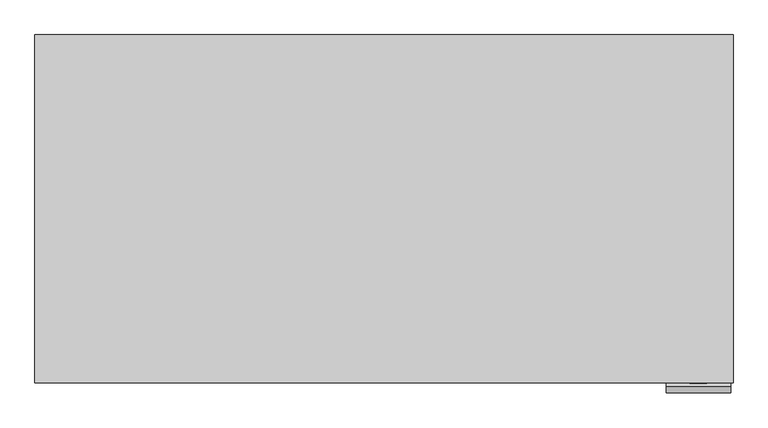
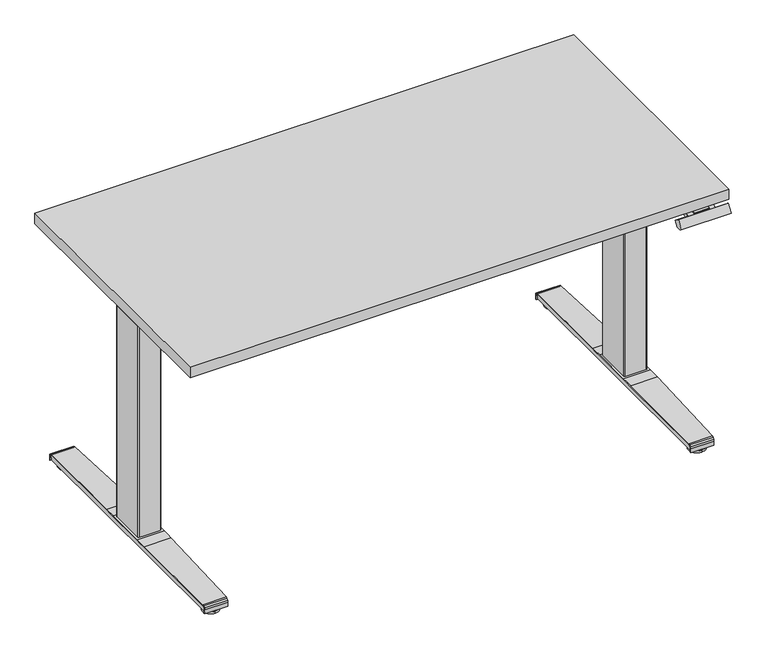
"""IFC4 building model written with IfcOpenShell, lengths in millimetres: furniture geometry."""

from ifc_helpers import new_model, si_unit, point, frame, frame_2d, origin, place, context, project, spatial, polyline, circle_curve, trimmed, segment, composite_curve, outline, extrude, faceted_brep, source, transform, mapped, element, save
from ifc_brep_helpers import plane_surface, cylinder_surface, revolved_surface, advanced_brep


def furniture_ceaaed7a(model_context):
    return source(origin(), model_context, "Body", "SolidModel", [
        extrude(outline(polyline([(14.5096113, -401.3968117), (14.5096113, -332.2056317), (16.600036, -312.4301673), (22.101081, -294.2862166), (32.0264926, -276.1445006), (76.08703, -219.9044196), (78.2590631, -217.8196904), (80.5821044, -216.4244085), (83.8226043, -215.9340769), (95.8239066, -215.9340769), (100.5414966, -217.9222368), (103.6737909, -221.6407598), (104.5244657, -226.0999444), (104.5244657, -302.237421), (106.0337486, -307.4957301), (109.4921857, -310.8433819), (114.5140449, -312.2789047), (131.6696111, -312.2789047), (137.3542932, -314.0047986), (140.8386735, -318.2449286), (141.689421, -322.1768107), (141.689421, -411.1658739), (140.842089, -415.2172981), (137.3586534, -419.4493435), (131.6696838, -421.2868767), (114.5140449, -421.2868767), (109.2754112, -422.7586982), (106.1125955, -425.8629419), (104.5244657, -431.2318002), (104.5244657, -508.0086909), (103.4376134, -512.1732986), (100.419629, -515.652047), (94.5424442, -517.610176), (84.4259832, -517.610176), (80.9642759, -517.1178732), (77.2926977, -515.0512843), (75.9225778, -513.6257535), (35.8113634, -462.6853672), (26.2386192, -448.232434), (17.6551315, -425.8817997), (14.5096113, -401.3968117)])), frame((0.0, 0.0, 701.0345988), z_axis=(0.0, 0.0, 1.0), x_axis=(1.0, 0.0, 0.0)), (0.0, 0.0, 1.0), 5.6950012),
        advanced_brep(
        [(71.6136021, -729.2994654, 0.0), (71.6136021, -706.7221188, 0.0), (71.6136021, -684.1447722, 0.0), (71.6136021, -729.2851492, 5.8932222), (71.6136021, -684.1590885, 5.8932222), (71.6136021, -710.2426342, 9.6997611), (71.6136021, -703.2016035, 9.6997611), (71.6136021, -710.2185068, 20.6749349), (71.6136021, -703.2257308, 20.6749349), (71.6136021, -706.7221188, 20.6749349)],
        [
            (0, 1),
            (1, 2),
            (2, 0, circle_curve(frame((71.6136021, -706.7221188, 0.0), z_axis=(0.0, 0.0, -1.0), x_axis=(0.0, 1.0, 0.0)), 22.5773466)),
            (0, 2, circle_curve(frame((71.6136021, -706.7221188, 0.0), z_axis=(0.0, 0.0, -1.0), x_axis=(0.0, 1.0, 0.0)), 22.5773466)),
            (3, 0),
            (2, 4),
            (4, 3, circle_curve(frame((71.6136021, -706.7221188, 5.8932222), z_axis=(0.0, 0.0, -1.0), x_axis=(0.0, 1.0, 0.0)), 22.5630303)),
            (3, 4, circle_curve(frame((71.6136021, -706.7221188, 5.8932222), z_axis=(0.0, 0.0, -1.0), x_axis=(0.0, 1.0, 0.0)), 22.5630303)),
            (5, 3),
            (4, 6),
            (6, 5, circle_curve(frame((71.6136021, -706.7221188, 9.6997611), z_axis=(0.0, 0.0, -1.0), x_axis=(0.0, 1.0, 0.0)), 3.5205153)),
            (5, 6, circle_curve(frame((71.6136021, -706.7221188, 9.6997611), z_axis=(0.0, 0.0, -1.0), x_axis=(0.0, 1.0, 0.0)), 3.5205153)),
            (7, 5),
            (6, 8),
            (8, 7, circle_curve(frame((71.6136021, -706.7221188, 20.6749349), z_axis=(0.0, 0.0, -1.0), x_axis=(0.0, 1.0, 0.0)), 3.496388)),
            (7, 8, circle_curve(frame((71.6136021, -706.7221188, 20.6749349), z_axis=(0.0, 0.0, -1.0), x_axis=(0.0, 1.0, 0.0)), 3.496388)),
            (9, 7),
            (8, 9),
        ],
        [
            plane_surface(frame((71.6136021, -706.7221188, 0.0), z_axis=(0.0, 0.0, -1.0), x_axis=(0.0, 1.0, 0.0))),
            revolved_surface(polyline([(71.6136021, -684.1447722, 0.0), (71.6136021, -684.1590885, 5.8932222)]), (71.6136021, -706.7221188, -6.35), (0.0, 0.0, 1.0)),
            revolved_surface(polyline([(71.6136021, -684.1590885, 5.8932222), (71.6136021, -703.2016035, 9.6997611)]), (71.6136021, -706.7221188, -6.35), (0.0, 0.0, 1.0)),
            cylinder_surface(frame((71.6136021, -706.7221188, -6.35), z_axis=(0.0, 0.0, 1.0), x_axis=(0.0, 1.0, 0.0)), 3.496388),
            plane_surface(frame((71.6136021, -706.7221188, 20.6749349), z_axis=(0.0, 0.0, 1.0), x_axis=(0.0, 1.0, 0.0))),
        ],
        [
            (0, [[1, 2, 3]]),
            (0, [[-2, -1, 4]]),
            (1, [[5, -3, 6, 7]]),
            (1, [[-6, -4, -5, 8]]),
            (2, [[9, -7, 10, 11]]),
            (2, [[-10, -8, -9, 12]]),
            (3, [[13, -11, 14, 15]]),
            (3, [[-14, -12, -13, 16]]),
            (4, [[17, -15, 18]]),
            (4, [[-18, -16, -17]]),
        ],
    ),
        advanced_brep(
        [(71.6136021, -26.8015897, 20.6749349), (71.6136021, -30.4006742, 20.6749349), (71.6136021, -23.2025053, 20.6749349), (71.6136021, -49.4410025, 0.0), (71.6136021, -26.8015897, 0.0), (71.6136021, -4.1621769, 0.0), (71.6136021, -49.4267121, 5.8932222), (71.6136021, -4.1764674, 5.8932222), (71.6136021, -30.3842008, 9.6997611), (71.6136021, -23.2189787, 9.6997611)],
        [
            (0, 1),
            (1, 2, circle_curve(frame((71.6136021, -26.8015897, 20.6749349), z_axis=(0.0, 0.0, 1.0), x_axis=(0.0, 1.0, 0.0)), 3.5990844)),
            (2, 0),
            (2, 1, circle_curve(frame((71.6136021, -26.8015897, 20.6749349), z_axis=(0.0, 0.0, 1.0), x_axis=(0.0, 1.0, 0.0)), 3.5990844)),
            (3, 4),
            (4, 5),
            (5, 3, circle_curve(frame((71.6136021, -26.8015897, 0.0), z_axis=(0.0, 0.0, -1.0), x_axis=(0.0, 1.0, 0.0)), 22.6394128)),
            (3, 5, circle_curve(frame((71.6136021, -26.8015897, 0.0), z_axis=(0.0, 0.0, -1.0), x_axis=(0.0, 1.0, 0.0)), 22.6394128)),
            (6, 3),
            (5, 7),
            (7, 6, circle_curve(frame((71.6136021, -26.8015897, 5.8932222), z_axis=(0.0, 0.0, -1.0), x_axis=(0.0, 1.0, 0.0)), 22.6251224)),
            (6, 7, circle_curve(frame((71.6136021, -26.8015897, 5.8932222), z_axis=(0.0, 0.0, -1.0), x_axis=(0.0, 1.0, 0.0)), 22.6251224)),
            (8, 6),
            (7, 9),
            (9, 8, circle_curve(frame((71.6136021, -26.8015897, 9.6997611), z_axis=(0.0, 0.0, -1.0), x_axis=(0.0, 1.0, 0.0)), 3.5826111)),
            (8, 9, circle_curve(frame((71.6136021, -26.8015897, 9.6997611), z_axis=(0.0, 0.0, -1.0), x_axis=(0.0, 1.0, 0.0)), 3.5826111)),
            (1, 8),
            (9, 2),
        ],
        [
            plane_surface(frame((71.6136021, -26.8015897, 20.6749349), z_axis=(0.0, 0.0, 1.0), x_axis=(0.0, 1.0, 0.0))),
            plane_surface(frame((71.6136021, -26.8015897, 0.0), z_axis=(0.0, 0.0, -1.0), x_axis=(0.0, 1.0, 0.0))),
            revolved_surface(polyline([(71.6136021, -4.1621769, 0.0), (71.6136021, -4.1764674, 5.8932222)]), (71.6136021, -26.8015897, -4.219916), (0.0, 0.0, 1.0)),
            revolved_surface(polyline([(71.6136021, -4.1764674, 5.8932222), (71.6136021, -23.2189787, 9.6997611)]), (71.6136021, -26.8015897, -4.219916), (0.0, 0.0, 1.0)),
            cylinder_surface(frame((71.6136021, -26.8015897, -4.219916), z_axis=(0.0, 0.0, 1.0), x_axis=(0.0, 1.0, 0.0)), 3.5617141),
        ],
        [
            (0, [[1, 2, 3]]),
            (0, [[-3, 4, -1]]),
            (1, [[5, 6, 7]]),
            (1, [[-6, -5, 8]]),
            (2, [[9, -7, 10, 11]]),
            (2, [[-10, -8, -9, 12]]),
            (3, [[13, -11, 14, 15]]),
            (3, [[-14, -12, -13, 16]]),
            (4, [[17, -15, 18, -2]]),
            (4, [[-18, -16, -17, -4]]),
        ],
    ),
        extrude(outline(polyline([(-3.5215571, 12.4677812), (-730.0368702, 12.4677812), (-730.8530931, 21.7991884), (-730.4125152, 25.0910807), (-728.9715421, 27.4999725), (-726.7532546, 29.2221784), (-723.5308182, 30.057262), (-456.0573386, 36.3302073), (-423.2791911, 36.8675534), (-406.7285298, 36.8675534), (-310.2791844, 36.8675534), (-277.5010737, 36.3302079), (-10.0275765, 30.0572625), (-6.8051436, 29.2221784), (-4.5868373, 27.4999725), (-3.1458654, 25.0910807), (-2.7052097, 21.7985054), (-3.5215571, 12.4677812)])), frame((43.10672, 0.0, 0.0), z_axis=(1.0, 0.0, 0.0), x_axis=(0.0, 1.0, 0.0)), (0.0, 0.0, 1.0), 56.9713634),
        faceted_brep([(35.13112, -423.2791911, 36.8675534), (35.13112, -435.5838058, 36.6658386), (35.13112, -435.5838058, 39.2658383), (35.13112, -423.2791911, 39.4675537), (35.13112, -310.2791844, 39.4675537), (35.13112, -297.9815233, 39.2659522), (35.13112, -297.9815233, 36.6659526), (35.13112, -310.2791844, 36.8675534), (35.13112, -406.7285298, 36.8675534), (108.0536834, -423.2791911, 39.4675537), (108.0536834, -440.5657368, 39.1841672), (108.0536834, -440.5657368, 36.5841677), (108.0536834, -423.2791911, 36.8675534), (108.0536834, -406.7285298, 36.8675534), (108.0536834, -310.2791844, 36.8675534), (108.0536834, -292.9995923, 36.5842817), (108.0536834, -292.9995923, 39.184281), (108.0536834, -310.2791844, 39.4675537), (39.9578279, -730.8530931, 21.7991884), (39.9195017, -730.4125152, 25.0910807), (103.3697142, -730.4125152, 25.0910807), (103.331388, -730.8530931, 21.7991884), (39.7941503, -728.9715421, 27.4999725), (103.4950656, -728.9715421, 27.4999725), (39.7469719, -728.4292049, 27.9210254), (39.6772012, -726.7532546, 29.2221784), (103.6120147, -726.7532546, 29.2221784), (103.5422439, -728.4292049, 27.9210254), (39.595237, -724.7844107, 29.7323977), (39.5758865, -723.5308182, 30.057262), (103.713208, -723.5308182, 30.057262), (103.6939789, -724.7844107, 29.7323977), (35.4471506, -456.0573386, 36.3302073), (107.8160537, -456.0573386, 36.3302073), (35.4472574, -277.5010737, 36.3302079), (107.8159476, -277.5010737, 36.3302079), (39.5759935, -10.0275765, 30.0572625), (103.7131017, -10.0275765, 30.0572625), (39.595237, -8.7809184, 29.7341947), (39.6774897, -6.8051436, 29.2221784), (103.6117262, -6.8051436, 29.2221784), (103.6939789, -8.7809184, 29.7341947), (39.7469719, -5.1361242, 27.9264173), (39.7947548, -4.5868373, 27.4999725), (103.494461, -4.5868373, 27.4999725), (103.5422439, -5.1361242, 27.9264173), (39.9201061, -3.1458654, 25.0910807), (103.3691097, -3.1458654, 25.0910807), (39.9584391, -2.7052097, 21.7985054), (103.3307767, -2.7052097, 21.7985054), (39.8798764, -3.6083249, 11.4760384), (103.4093395, -3.6083249, 11.4760384), (40.0918637, -1.1714317, 11.2628385), (40.1328414, -1.0058834, 11.2483549), (103.1563744, -1.0058834, 11.2483549), (103.1973522, -1.1714317, 11.2628385), (40.3869765, 0.0208103, 23.5226649), (102.9022394, 0.0208103, 23.5226649), (40.0918637, -1.1714317, 28.025708), (103.1973522, -1.1714317, 28.025708), (39.7469719, -5.1361242, 31.7240311), (103.5422439, -5.1361242, 31.7240311), (39.595237, -8.7809184, 32.6177765), (103.6939789, -8.7809184, 32.6177765), (35.4485728, -277.4158525, 38.9288093), (107.8146404, -277.4158525, 38.9288093), (35.4484652, -456.1425045, 38.9288099), (107.8147473, -456.1425045, 38.9288099), (39.5951298, -724.7774639, 32.6177766), (103.6942679, -724.7774667, 32.6177765), (39.7466826, -728.4222537, 31.7240341), (103.5425328, -728.4222661, 31.7240311), (40.0912556, -732.3869071, 28.0257562), (103.1979558, -732.3869587, 28.025708), (40.3766743, -733.5445188, 22.7290223), (102.9125416, -733.5445188, 22.7290223), (40.1280677, -732.5401599, 11.2494335), (103.1846287, -732.5401599, 11.2494335), (39.8792777, -729.9501216, 11.4760332), (103.4099382, -729.9501216, 11.4760332)], [[[0, 1, 2, 3, 4, 5, 6, 7, 8]], [[9, 10, 11, 12, 13, 14, 15, 16, 17]], [[18, 19, 20, 21]], [[19, 22, 23, 20]], [[22, 24, 25, 26, 27, 23]], [[25, 28, 29, 30, 31, 26]], [[29, 32, 33, 30]], [[12, 11, 33, 32, 1, 0]], [[8, 13, 12, 0]], [[7, 14, 13, 8]], [[7, 6, 34, 35, 15, 14]], [[34, 36, 37, 35]], [[36, 38, 39, 40, 41, 37]], [[39, 42, 43, 44, 45, 40]], [[43, 46, 47, 44]], [[46, 48, 49, 47]], [[48, 50, 51, 49]], [[50, 52, 53, 54, 55, 51]], [[53, 56, 57, 54]], [[56, 58, 59, 57]], [[58, 60, 61, 59]], [[60, 62, 63, 61]], [[62, 64, 65, 63]], [[17, 16, 65, 64, 5, 4]], [[3, 9, 17, 4]], [[3, 2, 66, 67, 10, 9]], [[66, 68, 69, 67]], [[68, 70, 71, 69]], [[70, 72, 73, 71]], [[72, 74, 75, 73]], [[74, 76, 77, 75]], [[76, 78, 79, 77]], [[21, 79, 78, 18]], [[58, 56, 53, 52]], [[52, 50, 48, 46, 43, 42, 60, 58]], [[42, 39, 38, 62, 60]], [[38, 36, 34, 6, 5, 64, 62]], [[41, 40, 45, 61, 63]], [[45, 44, 47, 49, 51, 55, 59, 61]], [[55, 54, 57, 59]], [[63, 65, 16, 15, 35, 37, 41]], [[76, 74, 72]], [[72, 70, 24, 22, 19, 18, 78, 76]], [[70, 68, 28, 25, 24]], [[68, 66, 2, 1, 32, 29, 28]], [[27, 26, 31, 69, 71]], [[77, 79, 21, 20, 23, 27, 71, 73]], [[73, 75, 77]], [[31, 30, 33, 11, 10, 67, 69]]]),
        extrude(outline(composite_curve([segment(polyline([(98.1047994, -322.7263919), (98.1047994, -410.7862196)]), True, "CONTINUOUS"), segment(trimmed(circle_curve(frame_2d((95.8187994, -410.7862196)), 2.286), [point((98.1047994, -410.7862196))], [point((95.8187994, -413.0722196))], False, "CARTESIAN"), True, "CONTINUOUS"), segment(polyline([(95.8187994, -413.0722196), (47.5023125, -413.0722196)]), True, "CONTINUOUS"), segment(trimmed(circle_curve(frame_2d((47.5023125, -410.7862196)), 2.286), [point((47.5023125, -413.0722196))], [point((45.2163125, -410.7862196))], False, "CARTESIAN"), True, "CONTINUOUS"), segment(polyline([(45.2163125, -410.7862196), (45.2163125, -322.5665392)]), True, "CONTINUOUS"), segment(trimmed(circle_curve(frame_2d((47.5023125, -322.7263919)), 2.2915822), [point((45.2163125, -322.5665392))], [point((47.3424598, -320.4403919))], False, "CARTESIAN"), True, "CONTINUOUS"), segment(polyline([(47.3424598, -320.4403919), (95.8187994, -320.4403919)]), True, "CONTINUOUS"), segment(trimmed(circle_curve(frame_2d((95.8187994, -322.7263919)), 2.286), [point((95.8187994, -320.4403919))], [point((98.1047994, -322.7263919))], False, "CARTESIAN"), True, "CONTINUOUS")], self_intersect=False)), frame((0.0, 0.0, 649.4874636), z_axis=(0.0, 0.0, 1.0), x_axis=(1.0, 0.0, 0.0)), (0.0, 0.0, 1.0), 51.5471352),
        extrude(outline(composite_curve([segment(polyline([(43.0714289, -315.1674543), (100.2661103, -315.1769913)]), True, "CONTINUOUS"), segment(trimmed(circle_curve(frame_2d((100.2656021, -318.2249913)), 3.048), [point((100.2661103, -315.1769913))], [point((103.3136021, -318.2249913))], False, "CARTESIAN"), True, "CONTINUOUS"), segment(polyline([(103.3136021, -318.2249913), (103.3136021, -415.2688595)]), True, "CONTINUOUS"), segment(trimmed(circle_curve(frame_2d((100.2656021, -415.2688595)), 3.048), [point((103.3136021, -415.2688595))], [point((100.2644636, -418.3168593))], False, "CARTESIAN"), True, "CONTINUOUS"), segment(polyline([(100.2644636, -418.3168593), (43.0524126, -418.2781198)]), True, "CONTINUOUS"), segment(trimmed(circle_curve(frame_2d((43.0535511, -415.2474896)), 3.0306304), [point((43.0524126, -418.2781198))], [point((40.0229207, -415.246944))], False, "CARTESIAN"), True, "CONTINUOUS"), segment(polyline([(40.0229207, -415.246944), (40.0229207, -318.2149086)]), True, "CONTINUOUS"), segment(trimmed(circle_curve(frame_2d((43.0709207, -318.2154542)), 3.048), [point((40.0229207, -318.2149086))], [point((43.0714289, -315.1674543))], False, "CARTESIAN"), True, "CONTINUOUS")], self_intersect=False)), frame((0.0, 0.0, 39.4675537), z_axis=(0.0, 0.0, 1.0), x_axis=(1.0, 0.0, 0.0)), (0.0, 0.0, 1.0), 610.0199099),
        extrude(outline(polyline([(-754.3181268, 681.3749469), (-740.5522612, 701.0346329), (-724.1692335, 689.5630254), (-733.9188743, 675.6392012), (-746.1265866, 675.6392012), (-754.3181268, 681.3749469)])), frame((1329.1987516, 0.0, 0.0), z_axis=(1.0, 0.0, 0.0), x_axis=(0.0, 1.0, 0.0)), (0.0, 0.0, 1.0), 135.8042833),
        extrude(outline(polyline([(1376.7934482, -733.2174253), (1375.9147954, -731.0960795), (1375.8146717, -724.0870135), (1417.6149236, -724.0870135), (1417.5147998, -731.0960795), (1416.6361471, -733.2174253), (1414.5148376, -734.096078), (1378.9148304, -734.096078), (1376.7934482, -733.2174253)])), frame((0.0, 0.0, 698.0346365), z_axis=(0.0, 0.0, 1.0), x_axis=(1.0, 0.0, 0.0)), (0.0, 0.0, 1.0), 3.0075926),
        extrude(outline(polyline([(-733.6034846, 693.0569715), (-724.0870135, 701.0422291), (-684.0960777, 701.0422291), (-684.0960777, 695.2345894), (-701.3308905, 691.2210989), (-717.9217019, 685.0655154), (-733.6034846, 676.8662339), (-733.6034846, 693.0569715)])), frame((1360.3148029, 0.0, 0.0), z_axis=(1.0, 0.0, 0.0), x_axis=(0.0, 1.0, 0.0)), (0.0, 0.0, 1.0), 72.7999895),
        extrude(outline(polyline([(1455.638693, -401.3968117), (1452.4931728, -425.8817997), (1443.9096851, -448.232434), (1434.336941, -462.6853672), (1394.2257265, -513.6257535), (1392.8556067, -515.0512843), (1389.1840284, -517.1178732), (1385.7223211, -517.610176), (1375.6058601, -517.610176), (1369.7286753, -515.652047), (1366.7106909, -512.1732986), (1365.6238386, -508.0086909), (1365.6238386, -431.2318002), (1364.0357088, -425.8629419), (1360.8728931, -422.7586982), (1355.6342594, -421.2868767), (1338.4786205, -421.2868767), (1332.7896509, -419.4493435), (1329.3062153, -415.2172981), (1328.4588833, -411.1658739), (1328.4588833, -322.1768107), (1329.3096308, -318.2449286), (1332.7940111, -314.0047986), (1338.4786932, -312.2789047), (1355.6342594, -312.2789047), (1360.6561186, -310.8433819), (1364.1145557, -307.4957301), (1365.6238386, -302.237421), (1365.6238386, -226.0999444), (1366.4745134, -221.6407598), (1369.6068077, -217.9222368), (1374.3243977, -215.9340769), (1386.3257, -215.9340769), (1389.5661999, -216.4244085), (1391.8892412, -217.8196904), (1394.0612743, -219.9044196), (1438.1218117, -276.1445006), (1448.0472233, -294.2862166), (1453.5482683, -312.4301673), (1455.638693, -332.2056317), (1455.638693, -401.3968117)])), frame((0.0, 0.0, 701.0345988), z_axis=(0.0, 0.0, 1.0), x_axis=(1.0, 0.0, 0.0)), (0.0, 0.0, 1.0), 5.6950012),
        advanced_brep(
        [(1398.5347022, -729.2994654, 0.0), (1398.5347022, -684.1447722, 0.0), (1398.5347022, -706.7221188, 0.0), (1398.5347022, -729.2851492, 5.8932222), (1398.5347022, -684.1590885, 5.8932222), (1398.5347022, -710.2426342, 9.6997611), (1398.5347022, -703.2016035, 9.6997611), (1398.5347022, -710.2185068, 20.6749349), (1398.5347022, -703.2257308, 20.6749349), (1398.5347022, -706.7221188, 20.6749349)],
        [
            (0, 1, circle_curve(frame((1398.5347022, -706.7221188, 0.0), z_axis=(0.0, 0.0, -1.0), x_axis=(0.0, 1.0, 0.0)), 22.5773466)),
            (1, 2),
            (2, 0),
            (1, 0, circle_curve(frame((1398.5347022, -706.7221188, 0.0), z_axis=(0.0, 0.0, -1.0), x_axis=(0.0, 1.0, 0.0)), 22.5773466)),
            (3, 4, circle_curve(frame((1398.5347022, -706.7221188, 5.8932222), z_axis=(0.0, 0.0, -1.0), x_axis=(0.0, 1.0, 0.0)), 22.5630303)),
            (4, 1),
            (0, 3),
            (4, 3, circle_curve(frame((1398.5347022, -706.7221188, 5.8932222), z_axis=(0.0, 0.0, -1.0), x_axis=(0.0, 1.0, 0.0)), 22.5630303)),
            (5, 6, circle_curve(frame((1398.5347022, -706.7221188, 9.6997611), z_axis=(0.0, 0.0, -1.0), x_axis=(0.0, 1.0, 0.0)), 3.5205153)),
            (6, 4),
            (3, 5),
            (6, 5, circle_curve(frame((1398.5347022, -706.7221188, 9.6997611), z_axis=(0.0, 0.0, -1.0), x_axis=(0.0, 1.0, 0.0)), 3.5205153)),
            (7, 8, circle_curve(frame((1398.5347022, -706.7221188, 20.6749349), z_axis=(0.0, 0.0, -1.0), x_axis=(0.0, 1.0, 0.0)), 3.496388)),
            (8, 6),
            (5, 7),
            (8, 7, circle_curve(frame((1398.5347022, -706.7221188, 20.6749349), z_axis=(0.0, 0.0, -1.0), x_axis=(0.0, 1.0, 0.0)), 3.496388)),
            (9, 8),
            (7, 9),
        ],
        [
            plane_surface(frame((1398.5347022, -706.7221188, 0.0), z_axis=(0.0, 0.0, -1.0), x_axis=(0.0, 1.0, 0.0))),
            revolved_surface(polyline([(1398.5347022, -684.1447722, 0.0), (1398.5347022, -684.1590885, 5.8932222)]), (1398.5347022, -706.7221188, -6.35), (0.0, 0.0, 1.0)),
            revolved_surface(polyline([(1398.5347022, -684.1590885, 5.8932222), (1398.5347022, -703.2016035, 9.6997611)]), (1398.5347022, -706.7221188, -6.35), (0.0, 0.0, 1.0)),
            cylinder_surface(frame((1398.5347022, -706.7221188, -6.35), z_axis=(0.0, 0.0, 1.0), x_axis=(0.0, 1.0, 0.0)), 3.496388),
            plane_surface(frame((1398.5347022, -706.7221188, 20.6749349), z_axis=(0.0, 0.0, 1.0), x_axis=(0.0, 1.0, 0.0))),
        ],
        [
            (0, [[1, 2, 3]]),
            (0, [[4, -3, -2]]),
            (1, [[5, 6, -1, 7]]),
            (1, [[8, -7, -4, -6]]),
            (2, [[9, 10, -5, 11]]),
            (2, [[12, -11, -8, -10]]),
            (3, [[13, 14, -9, 15]]),
            (3, [[16, -15, -12, -14]]),
            (4, [[17, -13, 18]]),
            (4, [[-18, -16, -17]]),
        ],
    ),
        advanced_brep(
        [(1398.5347022, -26.8015897, 20.6749349), (1398.5347022, -23.2025053, 20.6749349), (1398.5347022, -30.4006742, 20.6749349), (1398.5347022, -49.4410025, 0.0), (1398.5347022, -4.1621769, 0.0), (1398.5347022, -26.8015897, 0.0), (1398.5347022, -49.4267121, 5.8932222), (1398.5347022, -4.1764674, 5.8932222), (1398.5347022, -30.3842008, 9.6997611), (1398.5347022, -23.2189787, 9.6997611)],
        [
            (0, 1),
            (1, 2, circle_curve(frame((1398.5347022, -26.8015897, 20.6749349), z_axis=(0.0, 0.0, 1.0), x_axis=(0.0, 1.0, 0.0)), 3.5990844)),
            (2, 0),
            (2, 1, circle_curve(frame((1398.5347022, -26.8015897, 20.6749349), z_axis=(0.0, 0.0, 1.0), x_axis=(0.0, 1.0, 0.0)), 3.5990844)),
            (3, 4, circle_curve(frame((1398.5347022, -26.8015897, 0.0), z_axis=(0.0, 0.0, -1.0), x_axis=(0.0, 1.0, 0.0)), 22.6394128)),
            (4, 5),
            (5, 3),
            (4, 3, circle_curve(frame((1398.5347022, -26.8015897, 0.0), z_axis=(0.0, 0.0, -1.0), x_axis=(0.0, 1.0, 0.0)), 22.6394128)),
            (6, 7, circle_curve(frame((1398.5347022, -26.8015897, 5.8932222), z_axis=(0.0, 0.0, -1.0), x_axis=(0.0, 1.0, 0.0)), 22.6251224)),
            (7, 4),
            (3, 6),
            (7, 6, circle_curve(frame((1398.5347022, -26.8015897, 5.8932222), z_axis=(0.0, 0.0, -1.0), x_axis=(0.0, 1.0, 0.0)), 22.6251224)),
            (8, 9, circle_curve(frame((1398.5347022, -26.8015897, 9.6997611), z_axis=(0.0, 0.0, -1.0), x_axis=(0.0, 1.0, 0.0)), 3.5826111)),
            (9, 7),
            (6, 8),
            (9, 8, circle_curve(frame((1398.5347022, -26.8015897, 9.6997611), z_axis=(0.0, 0.0, -1.0), x_axis=(0.0, 1.0, 0.0)), 3.5826111)),
            (1, 9),
            (8, 2),
        ],
        [
            plane_surface(frame((1398.5347022, -26.8015897, 20.6749349), z_axis=(0.0, 0.0, 1.0), x_axis=(0.0, 1.0, 0.0))),
            plane_surface(frame((1398.5347022, -26.8015897, 0.0), z_axis=(0.0, 0.0, -1.0), x_axis=(0.0, 1.0, 0.0))),
            revolved_surface(polyline([(1398.5347022, -4.1621769, 0.0), (1398.5347022, -4.1764674, 5.8932222)]), (1398.5347022, -26.8015897, -4.219916), (0.0, 0.0, 1.0)),
            revolved_surface(polyline([(1398.5347022, -4.1764674, 5.8932222), (1398.5347022, -23.2189787, 9.6997611)]), (1398.5347022, -26.8015897, -4.219916), (0.0, 0.0, 1.0)),
            cylinder_surface(frame((1398.5347022, -26.8015897, -4.219916), z_axis=(0.0, 0.0, 1.0), x_axis=(0.0, 1.0, 0.0)), 3.5617141),
        ],
        [
            (0, [[1, 2, 3]]),
            (0, [[-3, 4, -1]]),
            (1, [[5, 6, 7]]),
            (1, [[8, -7, -6]]),
            (2, [[9, 10, -5, 11]]),
            (2, [[12, -11, -8, -10]]),
            (3, [[13, 14, -9, 15]]),
            (3, [[16, -15, -12, -14]]),
            (4, [[-2, 17, -13, 18]]),
            (4, [[-4, -18, -16, -17]]),
        ],
    ),
        extrude(outline(polyline([(-3.5215571, 12.4677812), (-730.0368702, 12.4677812), (-730.8530931, 21.7991884), (-730.4125152, 25.0910807), (-728.9715421, 27.4999725), (-726.7532546, 29.2221784), (-723.5308182, 30.057262), (-456.0573386, 36.3302073), (-423.2791911, 36.8675534), (-406.7285298, 36.8675534), (-310.2791844, 36.8675534), (-277.5010737, 36.3302079), (-10.0275765, 30.0572625), (-6.8051436, 29.2221784), (-4.5868373, 27.4999725), (-3.1458654, 25.0910807), (-2.7052097, 21.7985054), (-3.5215571, 12.4677812)])), frame((1370.0702209, 0.0, 0.0), z_axis=(1.0, 0.0, 0.0), x_axis=(0.0, 1.0, 0.0)), (0.0, 0.0, 1.0), 56.9713634),
        faceted_brep([(1435.0171843, -423.2791911, 36.8675534), (1435.0171843, -406.7285298, 36.8675534), (1435.0171843, -310.2791844, 36.8675534), (1435.0171843, -297.9815233, 36.6659526), (1435.0171843, -297.9815233, 39.2659522), (1435.0171843, -310.2791844, 39.4675537), (1435.0171843, -423.2791911, 39.4675537), (1435.0171843, -435.5838058, 39.2658383), (1435.0171843, -435.5838058, 36.6658386), (1362.0946209, -423.2791911, 39.4675537), (1362.0946209, -310.2791844, 39.4675537), (1362.0946209, -292.9995923, 39.184281), (1362.0946209, -292.9995923, 36.5842817), (1362.0946209, -310.2791844, 36.8675534), (1362.0946209, -406.7285298, 36.8675534), (1362.0946209, -423.2791911, 36.8675534), (1362.0946209, -440.5657368, 36.5841677), (1362.0946209, -440.5657368, 39.1841672), (1430.1904764, -730.8530931, 21.7991884), (1366.8169163, -730.8530931, 21.7991884), (1366.7785901, -730.4125152, 25.0910807), (1430.2288026, -730.4125152, 25.0910807), (1366.6532387, -728.9715421, 27.4999725), (1430.354154, -728.9715421, 27.4999725), (1366.6060604, -728.4292049, 27.9210254), (1366.5362896, -726.7532546, 29.2221784), (1430.4711032, -726.7532546, 29.2221784), (1430.4013324, -728.4292049, 27.9210254), (1366.4543255, -724.7844107, 29.7323977), (1366.4350963, -723.5308182, 30.057262), (1430.5724178, -723.5308182, 30.057262), (1430.5530673, -724.7844107, 29.7323977), (1362.3322506, -456.0573386, 36.3302073), (1434.7011537, -456.0573386, 36.3302073), (1362.3323567, -277.5010737, 36.3302079), (1434.7010469, -277.5010737, 36.3302079), (1366.4352026, -10.0275765, 30.0572625), (1430.5723108, -10.0275765, 30.0572625), (1366.4543255, -8.7809184, 29.7341947), (1366.5365781, -6.8051436, 29.2221784), (1430.4708146, -6.8051436, 29.2221784), (1430.5530673, -8.7809184, 29.7341947), (1366.6060604, -5.1361242, 27.9264173), (1366.6538433, -4.5868373, 27.4999725), (1430.3535495, -4.5868373, 27.4999725), (1430.4013324, -5.1361242, 27.9264173), (1366.7791946, -3.1458654, 25.0910807), (1430.2281982, -3.1458654, 25.0910807), (1366.8175276, -2.7052097, 21.7985054), (1430.1898652, -2.7052097, 21.7985054), (1366.7389649, -3.6083249, 11.4760384), (1430.2684279, -3.6083249, 11.4760384), (1366.9509521, -1.1714317, 11.2628385), (1366.9919299, -1.0058834, 11.2483549), (1430.0154629, -1.0058834, 11.2483549), (1430.0564406, -1.1714317, 11.2628385), (1367.2460649, 0.0208103, 23.5226649), (1429.7613278, 0.0208103, 23.5226649), (1366.9509521, -1.1714317, 28.025708), (1430.0564406, -1.1714317, 28.025708), (1366.6060604, -5.1361242, 31.7240311), (1430.4013324, -5.1361242, 31.7240311), (1366.4543255, -8.7809184, 32.6177765), (1430.5530673, -8.7809184, 32.6177765), (1362.333664, -277.4158525, 38.9288093), (1434.6997315, -277.4158525, 38.9288093), (1362.333557, -456.1425045, 38.9288099), (1434.6998391, -456.1425045, 38.9288099), (1366.4542189, -724.7774639, 32.6177766), (1430.5533564, -724.7774667, 32.6177765), (1366.6057715, -728.4222661, 31.7240311), (1430.401936, -728.4222661, 31.7240311), (1366.9503485, -732.3869587, 28.025708), (1430.0581582, -732.3869587, 28.025708), (1367.2357627, -733.5445188, 22.7290223), (1429.77163, -733.5445188, 22.7290223), (1366.9871452, -732.5401158, 11.2489291), (1430.0202366, -732.5401599, 11.2494335), (1366.7383661, -729.9501216, 11.4760332), (1430.2690266, -729.9501216, 11.4760332)], [[[0, 1, 2, 3, 4, 5, 6, 7, 8]], [[9, 10, 11, 12, 13, 14, 15, 16, 17]], [[18, 19, 20, 21]], [[21, 20, 22, 23]], [[23, 22, 24, 25, 26, 27]], [[26, 25, 28, 29, 30, 31]], [[30, 29, 32, 33]], [[15, 0, 8, 33, 32, 16]], [[1, 0, 15, 14]], [[2, 1, 14, 13]], [[2, 13, 12, 34, 35, 3]], [[35, 34, 36, 37]], [[37, 36, 38, 39, 40, 41]], [[40, 39, 42, 43, 44, 45]], [[44, 43, 46, 47]], [[47, 46, 48, 49]], [[49, 48, 50, 51]], [[51, 50, 52, 53, 54, 55]], [[54, 53, 56, 57]], [[57, 56, 58, 59]], [[59, 58, 60, 61]], [[61, 60, 62, 63]], [[63, 62, 64, 65]], [[10, 5, 4, 65, 64, 11]], [[6, 5, 10, 9]], [[6, 9, 17, 66, 67, 7]], [[67, 66, 68, 69]], [[69, 68, 70, 71]], [[71, 70, 72, 73]], [[73, 72, 74, 75]], [[75, 74, 76, 77]], [[77, 76, 78, 79]], [[19, 18, 79, 78]], [[59, 55, 54, 57]], [[55, 59, 61, 45, 44, 47, 49, 51]], [[45, 61, 63, 41, 40]], [[41, 63, 65, 4, 3, 35, 37]], [[38, 62, 60, 42, 39]], [[42, 60, 58, 52, 50, 48, 46, 43]], [[52, 58, 56, 53]], [[62, 38, 36, 34, 12, 11, 64]], [[77, 73, 75]], [[73, 77, 79, 18, 21, 23, 27, 71]], [[71, 27, 26, 31, 69]], [[69, 31, 30, 33, 8, 7, 67]], [[24, 70, 68, 28, 25]], [[76, 72, 70, 24, 22, 20, 19, 78]], [[72, 76, 74]], [[28, 68, 66, 17, 16, 32, 29]]]),
        extrude(outline(composite_curve([segment(trimmed(circle_curve(frame_2d((1374.3295049, -322.7263919)), 2.286), [point((1372.0435049, -322.7263919))], [point((1374.3295049, -320.4403919))], False, "CARTESIAN"), True, "CONTINUOUS"), segment(polyline([(1374.3295049, -320.4403919), (1422.8058445, -320.4403919)]), True, "CONTINUOUS"), segment(trimmed(circle_curve(frame_2d((1422.6459918, -322.7263919)), 2.2915822), [point((1422.8058445, -320.4403919))], [point((1424.9319918, -322.5665392))], False, "CARTESIAN"), True, "CONTINUOUS"), segment(polyline([(1424.9319918, -322.5665392), (1424.9319918, -410.7862196)]), True, "CONTINUOUS"), segment(trimmed(circle_curve(frame_2d((1422.6459918, -410.7862196)), 2.286), [point((1424.9319918, -410.7862196))], [point((1422.6459918, -413.0722196))], False, "CARTESIAN"), True, "CONTINUOUS"), segment(polyline([(1422.6459918, -413.0722196), (1374.3295049, -413.0722196)]), True, "CONTINUOUS"), segment(trimmed(circle_curve(frame_2d((1374.3295049, -410.7862196)), 2.286), [point((1374.3295049, -413.0722196))], [point((1372.0435049, -410.7862196))], False, "CARTESIAN"), True, "CONTINUOUS"), segment(polyline([(1372.0435049, -410.7862196), (1372.0435049, -322.7263919)]), True, "CONTINUOUS")], self_intersect=False)), frame((0.0, 0.0, 649.4874636), z_axis=(0.0, 0.0, 1.0), x_axis=(1.0, 0.0, 0.0)), (0.0, 0.0, 1.0), 51.5471352),
        extrude(outline(composite_curve([segment(trimmed(circle_curve(frame_2d((1427.0773836, -318.2154542)), 3.048), [point((1427.0768754, -315.1674543))], [point((1430.1253836, -318.2149086))], False, "CARTESIAN"), True, "CONTINUOUS"), segment(polyline([(1430.1253836, -318.2149086), (1430.1253836, -415.246944)]), True, "CONTINUOUS"), segment(trimmed(circle_curve(frame_2d((1427.0947532, -415.2474896)), 3.0306304), [point((1430.1253836, -415.246944))], [point((1427.0958917, -418.2781198))], False, "CARTESIAN"), True, "CONTINUOUS"), segment(polyline([(1427.0958917, -418.2781198), (1369.8838407, -418.3168593)]), True, "CONTINUOUS"), segment(trimmed(circle_curve(frame_2d((1369.8827022, -415.2688595)), 3.048), [point((1369.8838407, -418.3168593))], [point((1366.8347022, -415.2688595))], False, "CARTESIAN"), True, "CONTINUOUS"), segment(polyline([(1366.8347022, -415.2688595), (1366.8347022, -318.2249913)]), True, "CONTINUOUS"), segment(trimmed(circle_curve(frame_2d((1369.8827022, -318.2249913)), 3.048), [point((1366.8347022, -318.2249913))], [point((1369.882194, -315.1769913))], False, "CARTESIAN"), True, "CONTINUOUS"), segment(polyline([(1369.882194, -315.1769913), (1427.0768754, -315.1674543)]), True, "CONTINUOUS")], self_intersect=False)), frame((0.0, 0.0, 39.4675537), z_axis=(0.0, 0.0, 1.0), x_axis=(1.0, 0.0, 0.0)), (0.0, 0.0, 1.0), 610.0199099),
        extrude(outline(polyline([(-254.2118536, 706.7295758), (-261.0555044, 673.7843817), (-287.1788735, 673.7843817), (-293.3818607, 706.7295758), (-292.4772404, 706.7295758), (-286.4416359, 674.6733817), (-261.778812, 674.6733817), (-255.1198316, 706.7295758), (-254.2118536, 706.7295758)])), frame((112.7764284, 0.0, 0.0), z_axis=(1.0, 0.0, 0.0), x_axis=(0.0, 1.0, 0.0)), (0.0, 0.0, 1.0), 1244.7587324),
        extrude(outline(composite_curve([segment(polyline([(-157.9800228, 706.7295758), (-27.6004947, 706.7295758), (-126.0773413, 624.1678923)]), True, "CONTINUOUS"), segment(trimmed(circle_curve(frame_2d((-152.3386142, 631.2537259)), 27.2004319), [point((-126.0773413, 624.1678923))], [point((-152.3386142, 604.053294))], False, "CARTESIAN"), True, "CONTINUOUS"), segment(polyline([(-152.3386142, 604.053294), (-206.385471, 604.053294)]), True, "CONTINUOUS"), segment(trimmed(circle_curve(frame_2d((-206.385471, 631.4707132)), 27.4174192), [point((-206.385471, 604.053294))], [point((-232.8562396, 624.3283547))], False, "CARTESIAN"), True, "CONTINUOUS"), segment(polyline([(-232.8562396, 624.3283547), (-255.0897859, 706.7295758), (-200.9281543, 706.7295758), (-193.7012462, 679.9221496)]), True, "CONTINUOUS"), segment(trimmed(circle_curve(frame_2d((-186.876114, 681.76211)), 7.0687964), [point((-193.7012462, 679.9221496))], [point((-186.876114, 674.6933136))], True, "CARTESIAN"), True, "CONTINUOUS"), segment(polyline([(-186.876114, 674.6933136), (-171.7604722, 674.6933136)]), True, "CONTINUOUS"), segment(trimmed(circle_curve(frame_2d((-171.7604722, 681.4307128)), 6.7373992), [point((-171.7604722, 674.6933136))], [point((-165.254245, 679.6809825))], True, "CARTESIAN"), True, "CONTINUOUS"), segment(polyline([(-165.254245, 679.6809825), (-157.9800228, 706.7295758)]), True, "CONTINUOUS")], self_intersect=False)), frame((131.2758079, 0.0, 0.0), z_axis=(1.0, 0.0, 0.0), x_axis=(0.0, 1.0, 0.0)), (0.0, 0.0, 1.0), 1207.599518),
        extrude(outline(polyline([(0.0, 0.0), (1470.1519787, 0.0), (1470.1519787, -733.5653291), (0.0, -733.5653291), (0.0, 0.0)])), frame((0.0, 0.0, 706.7295758), z_axis=(0.0, 0.0, 1.0), x_axis=(1.0, 0.0, 0.0)), (0.0, 0.0, 1.0), 29.8704242),
    ])


if __name__ == "__main__":
    model = new_model("IFC4")
    model_context = context("Model", 3, world=origin())
    ifc_project = project(units=[si_unit("LENGTHUNIT", "METRE", prefix="MILLI")], contexts=[model_context])
    site = spatial("IfcSite", under=ifc_project)
    building = spatial("IfcBuilding", under=site)
    placement = place(None, origin())
    furniture_shape = furniture_ceaaed7a(model_context)
    element("IfcFurniture", 1, at=placement, inside=building, context=model_context, shape_type="MappedRepresentation", body=[
        mapped(furniture_shape, transform((0.0, 0.0, 0.0), x_axis=(1.0, 0.0, 0.0), y_axis=(0.0, 1.0, 0.0), z_axis=(0.0, 0.0, 1.0))),
    ])
    save(model, "model.ifc")
